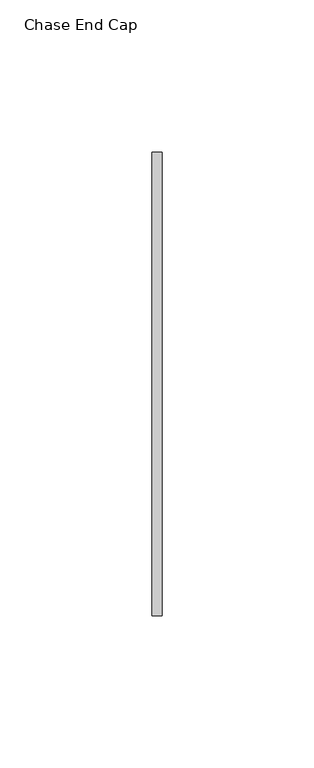
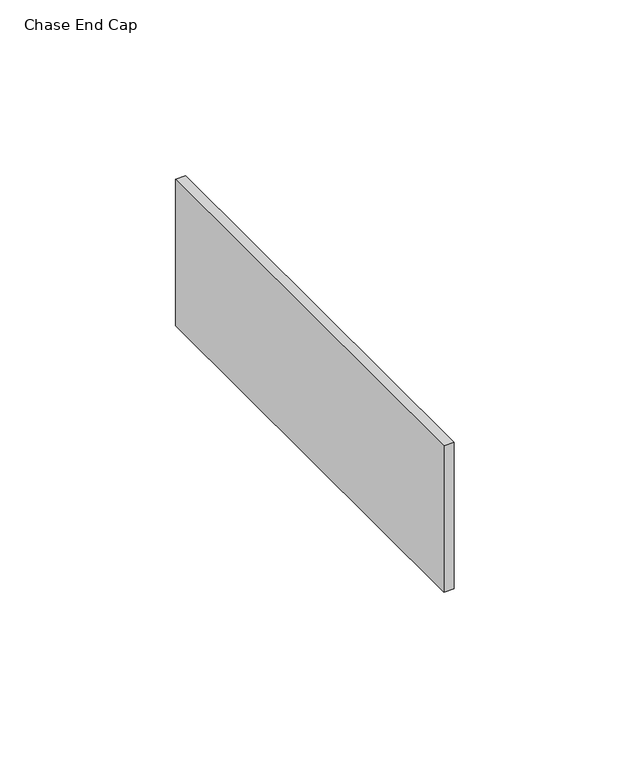
"""IFC4 building model written with IfcOpenShell, lengths in millimetres: furniture geometry, Chase End Cap."""

from ifc_helpers import new_model, si_unit, frame, origin, place, context, project, spatial, polyline, outline, extrude, source, transform, mapped, element, save


def chase_end_cap_f518f2c0(model_context):
    return source(origin(), model_context, "Body", "SweptSolid", [
        extrude(outline(polyline([(-3.302, -76.2), (-3.302, 76.2), (0.0, 76.2), (0.0, -76.2), (-3.302, -76.2)])), frame((0.0, 0.0, 625.0939671), z_axis=(0.0, 0.0, 1.0), x_axis=(1.0, 0.0, 0.0)), (0.0, 0.0, 1.0), 50.8000242),
    ])


if __name__ == "__main__":
    model = new_model("IFC4")
    model_context = context("Model", 3, world=origin())
    ifc_project = project(units=[si_unit("LENGTHUNIT", "METRE", prefix="MILLI")], contexts=[model_context])
    site = spatial("IfcSite", under=ifc_project)
    building = spatial("IfcBuilding", under=site)
    placement = place(None, origin())
    chase_end_cap_shape = chase_end_cap_f518f2c0(model_context)
    element("IfcFurniture", 1, ObjectType="Chase End Cap", at=placement, inside=building, context=model_context, shape_type="MappedRepresentation", body=[
        mapped(chase_end_cap_shape, transform((0.0, 0.0, 0.0), x_axis=(1.0, 0.0, 0.0), y_axis=(0.0, 1.0, 0.0), z_axis=(0.0, 0.0, 1.0))),
    ])
    save(model, "model.ifc")
